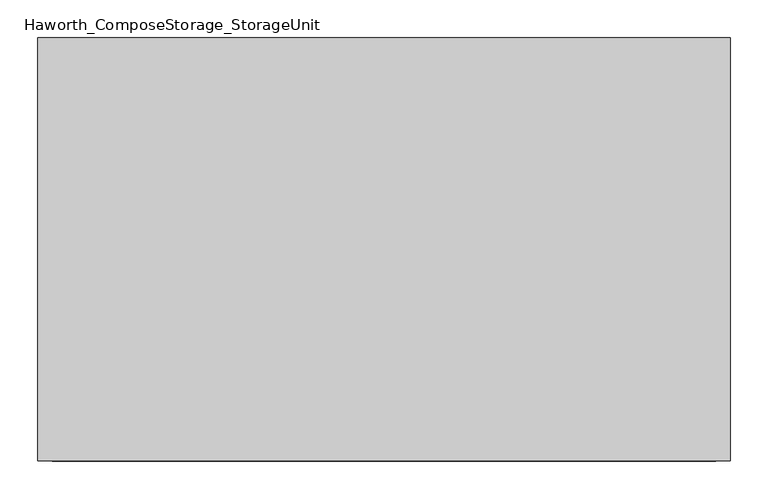
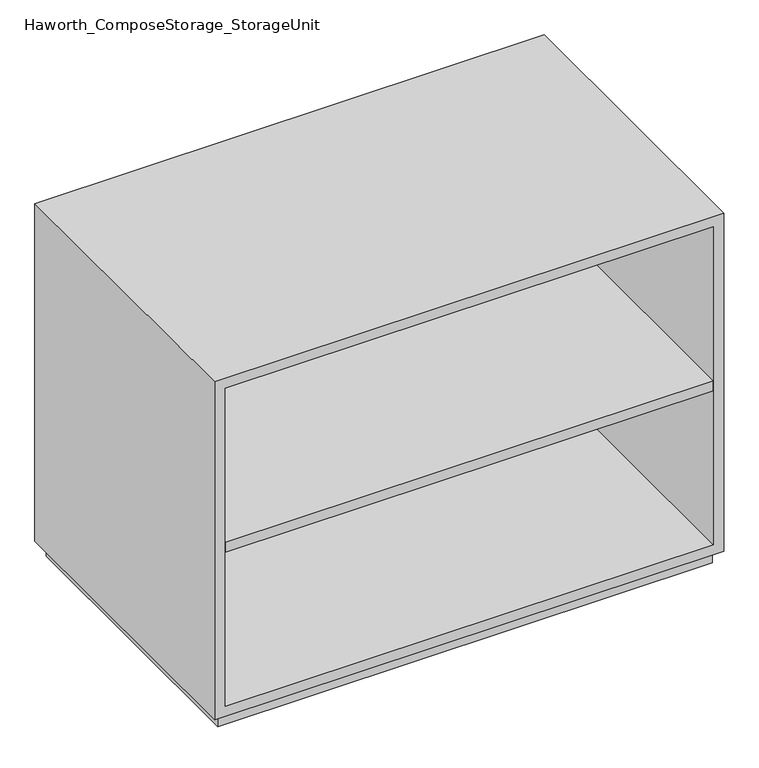
"""IFC4 building model written with IfcOpenShell, lengths in millimetres: furniture geometry, Haworth_ComposeStorage_StorageUnit."""

from ifc_helpers import new_model, si_unit, frame, origin, origin_with_axes, place, context, project, spatial, polyline, outline, extrude, source, transform, mapped, element, save


def haworth_composestorage_storageunit_11729d7e(model_context):
    return source(origin(), model_context, "Body", "SweptSolid", [
        extrude(outline(polyline([(438.1569453, 295.275), (438.1569453, -228.6), (-438.1291641, -228.6), (-438.1291641, 295.275), (438.1569453, 295.275)])), frame((0.0, 0.0, 336.55), z_axis=(0.0, 0.0, 1.0), x_axis=(1.0, 0.0, 0.0)), (0.0, 0.0, 1.0), 19.05),
        extrude(outline(polyline([(25.4, -457.1861094), (25.4, 457.2138906), (666.75, 457.2138906), (666.75, -457.1861094), (25.4, -457.1861094)]), holes=[polyline([(44.45, -438.1361094), (647.7, -438.1361094), (647.7, 438.1569453), (44.45, 438.1569453), (44.45, -438.1361094)])]), frame((0.0, -228.6, 0.0), z_axis=(0.0, 1.0, 0.0), x_axis=(0.0, 0.0, 1.0)), (0.0, 0.0, 1.0), 558.8),
        extrude(outline(polyline([(-438.1291641, 295.275), (-438.1291641, 304.8), (438.1569453, 304.8), (438.1569453, 295.275), (-438.1291641, 295.275)])), frame((0.0, 0.0, 44.45), z_axis=(0.0, 0.0, 1.0), x_axis=(1.0, 0.0, 0.0)), (0.0, 0.0, 1.0), 603.25),
        extrude(outline(polyline([(444.5138906, -215.9), (-444.4861094, -215.9), (-444.4861094, 317.5), (444.5138906, 317.5), (444.5138906, -215.9)])), origin_with_axes(), (0.0, 0.0, 1.0), 25.4),
    ])


if __name__ == "__main__":
    model = new_model("IFC4")
    model_context = context("Model", 3, world=origin())
    ifc_project = project(units=[si_unit("LENGTHUNIT", "METRE", prefix="MILLI")], contexts=[model_context])
    site = spatial("IfcSite", under=ifc_project)
    building = spatial("IfcBuilding", under=site)
    placement = place(None, origin())
    haworth_composestorage_storageunit_shape = haworth_composestorage_storageunit_11729d7e(model_context)
    element("IfcFurniture", 1, ObjectType="Haworth_ComposeStorage_StorageUnit", at=placement, inside=building, context=model_context, shape_type="MappedRepresentation", body=[
        mapped(haworth_composestorage_storageunit_shape, transform((0.0, 0.0, 0.0), x_axis=(1.0, 0.0, 0.0), y_axis=(0.0, 1.0, 0.0), z_axis=(0.0, 0.0, 1.0))),
    ])
    save(model, "model.ifc")
